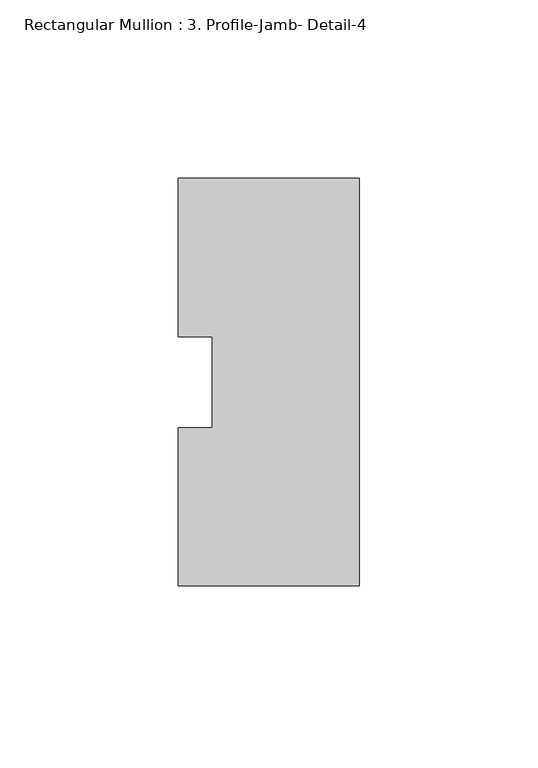
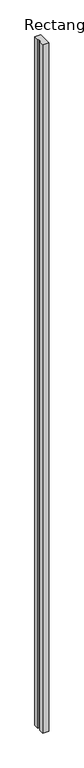
"""IFC4 building model written with IfcOpenShell, lengths in millimetres: member geometry, Rectangular Mullion : 3. Profile-Jamb- Detail-4."""

from ifc_helpers import new_model, si_unit, frame, origin, place, context, project, spatial, polyline, outline, extrude, source, transform, mapped, element, save


def rectangular_mullion_3_profile_jamb_detail_4_cd1f38f4(model_context):
    return source(origin(), model_context, "Body", "SweptSolid", [
        extrude(outline(polyline([(0.0, -80.86979), (-50.8, -80.86979), (-50.8, -36.4524857), (-41.275, -36.4524857), (-41.275, -10.9647874), (-50.8, -10.9647874), (-50.8, 33.43021), (0.0, 33.443291), (0.0, -80.86979)])), frame((0.0, 0.0, -6114.6528525), z_axis=(0.0, 0.0, 1.0), x_axis=(1.0, 0.0, 0.0)), (0.0, 0.0, 1.0), 6114.6528525),
    ])


if __name__ == "__main__":
    model = new_model("IFC4")
    model_context = context("Model", 3, world=origin())
    ifc_project = project(units=[si_unit("LENGTHUNIT", "METRE", prefix="MILLI")], contexts=[model_context])
    site = spatial("IfcSite", under=ifc_project)
    building = spatial("IfcBuilding", under=site)
    placement = place(None, origin())
    rectangular_mullion_3_profile_jamb_detail_4_shape = rectangular_mullion_3_profile_jamb_detail_4_cd1f38f4(model_context)
    element("IfcMember", 1, ObjectType="Rectangular Mullion : 3. Profile-Jamb- Detail-4", at=placement, inside=building, context=model_context, shape_type="MappedRepresentation", body=[
        mapped(rectangular_mullion_3_profile_jamb_detail_4_shape, transform((0.0, 0.0, 0.0), x_axis=(1.0, 0.0, 0.0), y_axis=(0.0, 1.0, 0.0), z_axis=(0.0, 0.0, 1.0))),
    ])
    save(model, "model.ifc")
